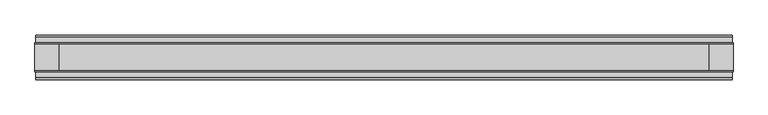
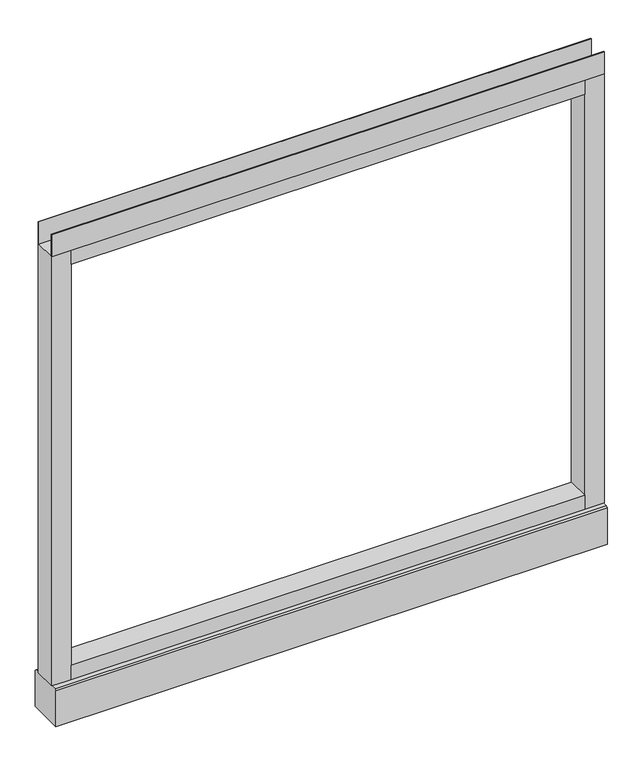
"""IFC4 building model written with IfcOpenShell, lengths in millimetres: furniture geometry."""

import ifcopenshell
import ifcopenshell.guid

model = None  # the IFC model being written
_history = None  # IfcOwnerHistory: only IFC2X3 demands one
_inside = {}  # id of a spatial element -> (the spatial element, [elements in it])
_under = {}  # id of a project, library or spatial element -> (it, [spatial elements below it])
_declared = {}  # id of a project -> (the project, [libraries it declares])
_typed = {}  # id of a type object -> (the type object, [elements of that type])
_made_of = {}  # id of a material, layer set ... -> (it, [elements and type objects made of it])


def new_model(schema):
    """Start an empty IFC model of exactly this schema.

    Asked for "IFC4X3", IfcOpenShell would pick the latest addendum, in which some entities
    have other attributes; the version numbers below select the first issue.
    IFC2X3 requires an IfcOwnerHistory on every rooted entity: one is made here for all.
    """
    global model, _history
    if schema == "IFC4X3":
        model = ifcopenshell.file(schema_version=(4, 3, 0, 0))
    else:
        model = ifcopenshell.file(schema=schema)
    _inside.clear()
    _under.clear()
    _declared.clear()
    _typed.clear()
    _made_of.clear()
    _history = None
    if model.schema == "IFC2X3":
        org = make("IfcOrganization", Name="unknown")
        user = make(
            "IfcPersonAndOrganization",
            ThePerson=make("IfcPerson", FamilyName="unknown"),
            TheOrganization=org,
        )
        app = make(
            "IfcApplication",
            ApplicationDeveloper=org,
            Version="unknown",
            ApplicationFullName="unknown",
            ApplicationIdentifier="unknown",
        )
        _history = make(
            "IfcOwnerHistory",
            OwningUser=user,
            OwningApplication=app,
            ChangeAction="ADDED",
            CreationDate=0,
        )
    return model


def make(cls, **values):
    """One entity of the class cls with the attributes given. An attribute that is None is left unset."""
    return model.create_entity(
        cls, **{name: value for name, value in values.items() if value is not None}
    )


def rooted(cls, **values):
    """An entity with a GlobalId (a new one), such as an element, a storey or a relation."""
    return make(cls, GlobalId=ifcopenshell.guid.new(), OwnerHistory=_history, **values)


def si_unit(unit_type, name, prefix=None):
    """IfcSIUnit, for example si_unit("LENGTHUNIT", "METRE", prefix="MILLI")."""
    return make("IfcSIUnit", UnitType=unit_type, Prefix=prefix, Name=name)


def assignment(units):
    """IfcUnitAssignment: the units of a project."""
    return None if units is None else make("IfcUnitAssignment", Units=units)


def point(xyz):
    """IfcCartesianPoint."""
    return None if xyz is None else make("IfcCartesianPoint", Coordinates=xyz)


def direction(xyz):
    """IfcDirection."""
    return None if xyz is None else make("IfcDirection", DirectionRatios=xyz)


def frame(location, z_axis=None, x_axis=None):
    """IfcAxis2Placement3D, a coordinate frame: its origin and axes. An axis left out is left unset."""
    return make(
        "IfcAxis2Placement3D",
        Location=point(location),
        Axis=direction(z_axis),
        RefDirection=direction(x_axis),
    )


def frame_2d(location, x_axis=None):
    """IfcAxis2Placement2D, a coordinate frame in the plane: its origin and x axis."""
    return make(
        "IfcAxis2Placement2D", Location=point(location), RefDirection=direction(x_axis)
    )


def origin():
    """The frame at (0, 0, 0) with its axes left unset."""
    return frame((0.0, 0.0, 0.0))


def place(relative_to, where):
    """IfcLocalPlacement: puts the frame where relative to a parent placement (None: the world)."""
    return make(
        "IfcLocalPlacement", PlacementRelTo=relative_to, RelativePlacement=where
    )


def context(
    kind, dimensions, precision=None, world=None, true_north=None, identifier=None
):
    """IfcGeometricRepresentationContext, for example the 3D "Model" context."""
    return make(
        "IfcGeometricRepresentationContext",
        ContextIdentifier=identifier,
        ContextType=kind,
        CoordinateSpaceDimension=dimensions,
        Precision=precision,
        WorldCoordinateSystem=world,
        TrueNorth=true_north,
    )


def project(units=None, contexts=None):
    """IfcProject with its units and contexts."""
    return rooted(
        "IfcProject",
        Name="project",
        RepresentationContexts=contexts,
        UnitsInContext=assignment(units),
    )


def spatial(cls, under=None, at=None, **own):
    """A site, building, storey or space (cls), placed at a placement, below another one or the project."""
    s = rooted(cls, ObjectPlacement=at, **own)
    if under is not None:
        _under.setdefault(under.id(), (under, []))[1].append(s)
    return s


def polyline(points):
    """IfcPolyline through the points."""
    return make("IfcPolyline", Points=[point(p) for p in points])


def circle_curve(where, radius):
    """IfcCircle in the frame where."""
    return make("IfcCircle", Position=where, Radius=radius)


def trimmed(basis, trim1, trim2, sense, master):
    """IfcTrimmedCurve: the piece of a basis curve between two trims."""
    return make(
        "IfcTrimmedCurve",
        BasisCurve=basis,
        Trim1=trim1,
        Trim2=trim2,
        SenseAgreement=sense,
        MasterRepresentation=master,
    )


def segment(curve, same_sense, transition):
    """IfcCompositeCurveSegment."""
    return make(
        "IfcCompositeCurveSegment",
        Transition=transition,
        SameSense=same_sense,
        ParentCurve=curve,
    )


def composite_curve(segments, self_intersect=None):
    """IfcCompositeCurve: segments joined end to end."""
    return make("IfcCompositeCurve", Segments=segments, SelfIntersect=self_intersect)


def outline(outer, holes=None, kind="AREA"):
    """IfcArbitraryClosedProfileDef: a profile drawn as a closed curve; with holes, ...WithVoids."""
    if holes is None:
        return make("IfcArbitraryClosedProfileDef", ProfileType=kind, OuterCurve=outer)
    return make(
        "IfcArbitraryProfileDefWithVoids",
        ProfileType=kind,
        OuterCurve=outer,
        InnerCurves=holes,
    )


def extrude(swept, where, along, depth):
    """IfcExtrudedAreaSolid: the profile swept, set in the frame where, extruded along a direction by depth."""
    return make(
        "IfcExtrudedAreaSolid",
        SweptArea=swept,
        Position=where,
        ExtrudedDirection=direction(along),
        Depth=depth,
    )


def shape(context_of_items, identifier, shape_type, items):
    """IfcShapeRepresentation: the items that make up one representation, for example the "Body"."""
    return make(
        "IfcShapeRepresentation",
        ContextOfItems=context_of_items,
        RepresentationIdentifier=identifier,
        RepresentationType=shape_type,
        Items=items,
    )


def source(mapping_origin, context_of_items, identifier, shape_type, items):
    """IfcRepresentationMap: a shape defined once, which mapped items show again and again."""
    return make(
        "IfcRepresentationMap",
        MappingOrigin=mapping_origin,
        MappedRepresentation=shape(context_of_items, identifier, shape_type, items),
    )


def transform(
    local_origin,
    x_axis=None,
    y_axis=None,
    z_axis=None,
    scale=None,
    scale2=None,
    scale3=None,
    uniform=True,
):
    """IfcCartesianTransformationOperator3D, or its non-uniform kind. x_axis, y_axis, z_axis: its Axis1, 2, 3."""
    if uniform:
        return make(
            "IfcCartesianTransformationOperator3D",
            Axis1=direction(x_axis),
            Axis2=direction(y_axis),
            LocalOrigin=point(local_origin),
            Scale=scale,
            Axis3=direction(z_axis),
        )
    return make(
        "IfcCartesianTransformationOperator3DnonUniform",
        Axis1=direction(x_axis),
        Axis2=direction(y_axis),
        LocalOrigin=point(local_origin),
        Scale=scale,
        Axis3=direction(z_axis),
        Scale2=scale2,
        Scale3=scale3,
    )


def mapped(mapping_source, mapping_target):
    """IfcMappedItem: shows the shape of a source again, moved by a transform."""
    return make(
        "IfcMappedItem", MappingSource=mapping_source, MappingTarget=mapping_target
    )


def made_of(thing, what):
    """Note that an element or type object is made of a material, layer set ...; save() writes the relation."""
    if what is not None:
        _made_of.setdefault(what.id(), (what, []))[1].append(thing)
    return thing


def element(
    cls,
    number,
    at=None,
    inside=None,
    cuts=None,
    type_object=None,
    material=None,
    context=None,
    identifier="Body",
    shape_type=None,
    held_by="IfcProductDefinitionShape",
    body=None,
    shapes=None,
    **own,
):
    """One element of the class cls, such as IfcWall. Its Tag is "e" and its number.

    at: its placement. inside: the storey or other place that contains it. cuts: it is an
    opening in that element (IfcRelVoidsElement). A single representation is given by context,
    identifier, shape_type and body (its items); several are given by shapes. held_by: the class
    of the entity that holds the representations. save() writes the other relations.
    """
    e = rooted(cls, Tag="e%d" % number, ObjectPlacement=at, **own)
    if body is not None:
        shapes = [shape(context, identifier, shape_type, body)]
    if shapes is not None:
        e.Representation = make(held_by, Representations=shapes)
    if inside is not None:
        _inside.setdefault(inside.id(), (inside, []))[1].append(e)
    if cuts is not None:
        rooted(
            "IfcRelVoidsElement", RelatingBuildingElement=cuts, RelatedOpeningElement=e
        )
    if type_object is not None:
        _typed.setdefault(type_object.id(), (type_object, []))[1].append(e)
    return made_of(e, material)


def aggregate(whole, parts):
    """IfcRelAggregates: a whole, such as a stair, and the parts it consists of."""
    return rooted("IfcRelAggregates", RelatingObject=whole, RelatedObjects=parts)


def save(model, path):
    """Write the relations noted so far, then the file.

    IfcRelAggregates (storeys below a building ...), IfcRelContainedInSpatialStructure (elements
    in a storey), IfcRelDefinesByType, IfcRelAssociatesMaterial and IfcRelDeclares: one each for
    every whole, place, type object, material and project.
    """
    for whole, parts in _under.values():
        aggregate(whole, parts)
    for where, things in _inside.values():
        rooted(
            "IfcRelContainedInSpatialStructure",
            RelatedElements=things,
            RelatingStructure=where,
        )
    for kind, things in _typed.values():
        rooted("IfcRelDefinesByType", RelatedObjects=things, RelatingType=kind)
    for what, things in _made_of.values():
        rooted("IfcRelAssociatesMaterial", RelatedObjects=things, RelatingMaterial=what)
    for by, libraries in _declared.values():
        rooted("IfcRelDeclares", RelatingContext=by, RelatedDefinitions=libraries)
    model.write(path)


def plane_surface(at):
    """IfcPlane: the flat surface through the origin of the frame at, square to its z axis."""
    return make("IfcPlane", Position=at)


def revolved_surface(curve, axis_point, axis_direction):
    """IfcSurfaceOfRevolution: the curve turned about the line through axis_point along axis_direction."""
    return make(
        "IfcSurfaceOfRevolution",
        SweptCurve=make("IfcArbitraryOpenProfileDef", ProfileType="CURVE", Curve=curve),
        AxisPosition=make("IfcAxis1Placement", Location=point(axis_point), Axis=direction(axis_direction)),
    )


def advanced_brep(points, edges, surfaces, faces):
    """IfcAdvancedBrep: a solid bounded by faces that lie on surfaces and meet in shared edges.

    An edge is (start, end): straight between two places in points (the first is 0);
    or (start, end, curve); or (start, end, curve, False) where it runs against its curve.
    A face is (place in surfaces, loops), or (place, loops, False) where it looks against
    its surface's normal. A loop lists edges by number (the first is 1), with a minus sign
    where the edge is run from its end to its start. The first loop is the outer one.
    """
    corners = [point(p) for p in points]
    vertices = [make("IfcVertexPoint", VertexGeometry=c) for c in corners]
    made = []
    for start, end, *more in edges:
        made.append(
            make(
                "IfcEdgeCurve",
                EdgeStart=vertices[start],
                EdgeEnd=vertices[end],
                EdgeGeometry=more[0] if more else make("IfcPolyline", Points=[corners[start], corners[end]]),
                SameSense=more[1] if len(more) > 1 else True,
            )
        )
    hull = []
    for where, loops, *sense in faces:
        bounds = []
        for j, loop in enumerate(loops):
            ring = [make("IfcOrientedEdge", EdgeElement=made[abs(k) - 1], Orientation=k > 0) for k in loop]
            bounds.append(
                make(
                    "IfcFaceOuterBound" if j == 0 else "IfcFaceBound",
                    Bound=make("IfcEdgeLoop", EdgeList=ring),
                    Orientation=True,
                )
            )
        hull.append(make("IfcAdvancedFace", Bounds=bounds, FaceSurface=surfaces[where], SameSense=sense[0] if sense else True))
    return make("IfcAdvancedBrep", Outer=make("IfcClosedShell", CfsFaces=hull))


def furniture_69dd9aa8(model_context):
    return source(origin(), model_context, "Body", "SolidModel", [
        advanced_brep(
        [(539.75, 0.0, 6.35), (565.15, 0.0, 6.35), (533.4, 0.0, 0.0), (571.5, 0.0, 0.0)],
        [
            (0, 1, circle_curve(frame((552.45, 0.0, 6.35), z_axis=(0.0, 0.0, 1.0), x_axis=(-1.0, 0.0, 0.0)), 12.7)),
            (1, 0, circle_curve(frame((552.45, 0.0, 6.35), z_axis=(0.0, 0.0, 1.0), x_axis=(1.0, 0.0, 0.0)), 12.7)),
            (2, 3, circle_curve(frame((552.45, 0.0, 0.0), z_axis=(0.0, 0.0, -1.0), x_axis=(1.0, 0.0, 0.0)), 19.05)),
            (3, 2, circle_curve(frame((552.45, 0.0, 0.0), z_axis=(0.0, 0.0, -1.0), x_axis=(-1.0, 0.0, 0.0)), 19.05)),
            (3, 1),
            (0, 2),
        ],
        [
            plane_surface(frame((552.45, 0.0, 6.35), z_axis=(0.0, 0.0, 1.0), x_axis=(0.0, -1.0, 0.0))),
            plane_surface(frame((552.45, 0.0, 0.0), z_axis=(0.0, 0.0, -1.0), x_axis=(0.0, -1.0, 0.0))),
            revolved_surface(polyline([(539.75, 0.0, 6.35), (533.4, 0.0, 0.0)]), (552.45, 0.0, 19.05), (0.0, 0.0, -1.0)),
            revolved_surface(polyline([(565.15, 0.0, 6.35), (571.5, 0.0, 0.0)]), (552.45, 0.0, 19.05), (0.0, 0.0, -1.0)),
        ],
        [
            (0, [[1, 2]]),
            (1, [[3, 4]]),
            (2, [[-4, 5, -1, 6]]),
            (3, [[-3, -6, -2, -5]]),
        ],
    ),
        advanced_brep(
        [(-565.15, 0.0, 6.35), (-539.75, 0.0, 6.35), (-571.5, 0.0, 0.0), (-533.4, 0.0, 0.0)],
        [
            (0, 1, circle_curve(frame((-552.45, 0.0, 6.35), z_axis=(0.0, 0.0, 1.0), x_axis=(-1.0, 0.0, 0.0)), 12.7)),
            (1, 0, circle_curve(frame((-552.45, 0.0, 6.35), z_axis=(0.0, 0.0, 1.0), x_axis=(1.0, 0.0, 0.0)), 12.7)),
            (2, 3, circle_curve(frame((-552.45, 0.0, 0.0), z_axis=(0.0, 0.0, -1.0), x_axis=(1.0, 0.0, 0.0)), 19.05)),
            (3, 2, circle_curve(frame((-552.45, 0.0, 0.0), z_axis=(0.0, 0.0, -1.0), x_axis=(-1.0, 0.0, 0.0)), 19.05)),
            (3, 1),
            (0, 2),
        ],
        [
            plane_surface(frame((-552.45, 0.0, 6.35), z_axis=(0.0, 0.0, 1.0), x_axis=(0.0, -1.0, 0.0))),
            plane_surface(frame((-552.45, 0.0, 0.0), z_axis=(0.0, 0.0, -1.0), x_axis=(0.0, -1.0, 0.0))),
            revolved_surface(polyline([(-565.15, 0.0, 6.35), (-571.5, 0.0, 0.0)]), (-552.45, 0.0, 19.05), (0.0, 0.0, -1.0)),
            revolved_surface(polyline([(-539.75, 0.0, 6.35), (-533.4, 0.0, 0.0)]), (-552.45, 0.0, 19.05), (0.0, 0.0, -1.0)),
        ],
        [
            (0, [[1, 2]]),
            (1, [[3, 4]]),
            (2, [[-4, 5, -1, 6]]),
            (3, [[-3, -6, -2, -5]]),
        ],
    ),
        extrude(outline(polyline([(609.6, -23.8125), (609.6, -25.4), (-609.6, -25.4), (-609.6, -23.8125), (609.6, -23.8125)])), frame((0.0, 0.0, 1102.233), z_axis=(0.0, 0.0, 1.0), x_axis=(1.0, 0.0, 0.0)), (0.0, 0.0, 1.0), 51.435),
        extrude(outline(polyline([(609.6, 25.4), (609.6, 23.8125), (-609.6, 23.8125), (-609.6, 25.4), (609.6, 25.4)])), frame((0.0, 0.0, 1102.233), z_axis=(0.0, 0.0, 1.0), x_axis=(1.0, 0.0, 0.0)), (0.0, 0.0, 1.0), 51.435),
        extrude(outline(polyline([(566.7375, -25.4), (-566.7375, -25.4), (-566.7375, 25.4), (566.7375, 25.4), (566.7375, -25.4)])), frame((0.0, 0.0, 1069.34), z_axis=(0.0, 0.0, 1.0), x_axis=(1.0, 0.0, 0.0)), (0.0, 0.0, 1.0), 32.893),
        extrude(outline(polyline([(566.7375, -25.4), (-566.7375, -25.4), (-566.7375, 25.4), (566.7375, 25.4), (566.7375, -25.4)])), frame((0.0, 0.0, 101.6), z_axis=(0.0, 0.0, 1.0), x_axis=(1.0, 0.0, 0.0)), (0.0, 0.0, 1.0), 32.893),
        extrude(outline(composite_curve([segment(trimmed(circle_curve(frame_2d((-552.45, 0.0)), 5.55625), [point((-558.00625, 0.0))], [point((-546.89375, 0.0))], False, "CARTESIAN"), True, "CONTINUOUS"), segment(trimmed(circle_curve(frame_2d((-552.45, 0.0)), 5.55625), [point((-546.89375, 0.0))], [point((-558.00625, 0.0))], False, "CARTESIAN"), True, "CONTINUOUS")], self_intersect=False)), frame((0.0, 0.0, 6.35), z_axis=(0.0, 0.0, 1.0), x_axis=(1.0, 0.0, 0.0)), (0.0, 0.0, 1.0), 7.9375),
        extrude(outline(composite_curve([segment(trimmed(circle_curve(frame_2d((552.45, 0.0)), 5.55625), [point((546.89375, 0.0))], [point((558.00625, 0.0))], False, "CARTESIAN"), True, "CONTINUOUS"), segment(trimmed(circle_curve(frame_2d((552.45, 0.0)), 5.55625), [point((558.00625, 0.0))], [point((546.89375, 0.0))], False, "CARTESIAN"), True, "CONTINUOUS")], self_intersect=False)), frame((0.0, 0.0, 6.35), z_axis=(0.0, 0.0, 1.0), x_axis=(1.0, 0.0, 0.0)), (0.0, 0.0, 1.0), 7.9375),
        extrude(outline(polyline([(-566.7375, -25.4), (-609.6, -25.4), (-609.6, 25.4), (-566.7375, 25.4), (-566.7375, -25.4)])), frame((0.0, 0.0, 101.6), z_axis=(0.0, 0.0, 1.0), x_axis=(1.0, 0.0, 0.0)), (0.0, 0.0, 1.0), 1000.633),
        extrude(outline(polyline([(609.6, -25.4), (566.7375, -25.4), (566.7375, 25.4), (609.6, 25.4), (609.6, -25.4)])), frame((0.0, 0.0, 101.6), z_axis=(0.0, 0.0, 1.0), x_axis=(1.0, 0.0, 0.0)), (0.0, 0.0, 1.0), 1000.633),
        extrude(outline(polyline([(-35.9171875, 101.6), (35.9171875, 101.6), (39.0921875, 98.425), (39.0921875, 14.2875), (-39.0921875, 14.2875), (-39.0921875, 98.425), (-35.9171875, 101.6)])), frame((-608.457, 0.0, 0.0), z_axis=(1.0, 0.0, 0.0), x_axis=(0.0, 1.0, 0.0)), (0.0, 0.0, 1.0), 1216.9140102),
    ])


if __name__ == "__main__":
    model = new_model("IFC4")
    model_context = context("Model", 3, world=origin())
    ifc_project = project(units=[si_unit("LENGTHUNIT", "METRE", prefix="MILLI")], contexts=[model_context])
    site = spatial("IfcSite", under=ifc_project)
    building = spatial("IfcBuilding", under=site)
    placement = place(None, origin())
    furniture_shape = furniture_69dd9aa8(model_context)
    element("IfcFurniture", 1, at=placement, inside=building, context=model_context, shape_type="MappedRepresentation", body=[
        mapped(furniture_shape, transform((0.0, 0.0, 0.0), x_axis=(1.0, 0.0, 0.0), y_axis=(0.0, 1.0, 0.0), z_axis=(0.0, 0.0, 1.0))),
    ])
    save(model, "model.ifc")
